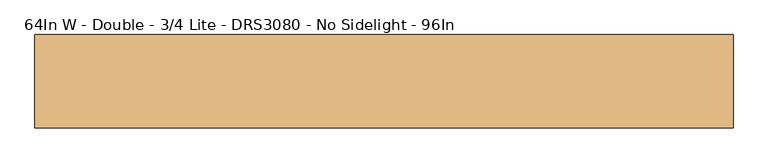
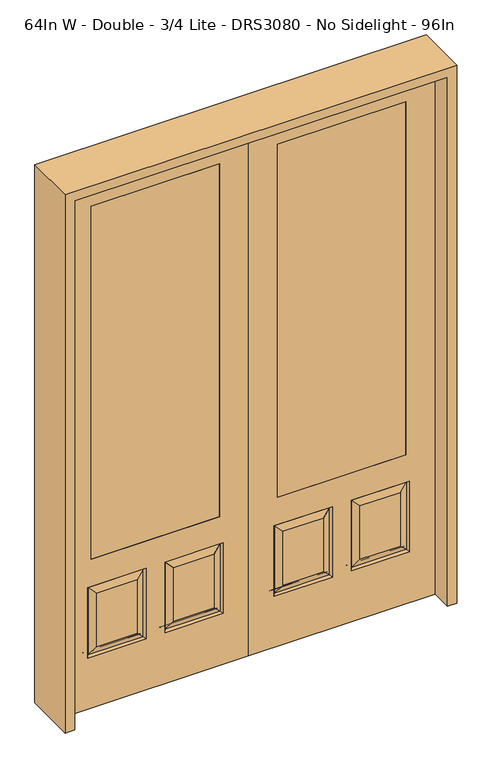
"""IFC4 building model written with IfcOpenShell, lengths in millimetres: door geometry, 64In W - Double - 3/4 Lite - DRS3080 - No Sidelight - 96In."""

from ifc_helpers import new_model, si_unit, frame, origin, place, context, project, spatial, polyline, outline, extrude, faceted_brep, source, transform, mapped, element, save


def door_64in_w_double_3_4_lite_drs3080_no_sidelight_96in_df7899c7(model_context):
    return source(origin(), model_context, "Body", "SolidModel", [
        faceted_brep([(127.0, -20.6375, 685.8), (127.0, 20.6375, 685.8), (127.0, 20.6375, 2311.4), (127.0, -20.6375, 2311.4), (685.8, -20.6375, 685.8), (685.8, 20.6375, 685.8), (486.5727627, -20.6375, 273.8477627), (662.7772373, -20.6375, 273.8477627), (662.7772373, -20.6375, 520.4102373), (486.5727627, -20.6375, 520.4102373), (150.0227627, -20.6375, 273.8477627), (326.2272373, -20.6375, 273.8477627), (326.2272373, -20.6375, 520.4102373), (150.0227627, -20.6375, 520.4102373), (812.8, -20.6375, 2438.4), (0.0, -20.6375, 2438.4), (0.0, -20.6375, 0.0), (812.8, -20.6375, 0.0), (685.8, -20.6375, 2311.4), (701.675, -20.6375, 234.95), (447.675, -20.6375, 234.95), (447.675, -20.6375, 559.308), (701.675, -20.6375, 559.308), (365.125, -20.6375, 234.95), (111.125, -20.6375, 234.95), (111.125, -20.6375, 559.308), (365.125, -20.6375, 559.308), (685.8, 20.6375, 2311.4), (326.2272373, 20.6375, 273.8477627), (150.0227627, 20.6375, 273.8477627), (150.0227627, 20.6375, 520.4102373), (326.2272373, 20.6375, 520.4102373), (662.7772373, 20.6375, 273.8477627), (486.5727627, 20.6375, 273.8477627), (486.5727627, 20.6375, 520.4102373), (662.7772373, 20.6375, 520.4102373), (0.0, 20.6375, 2438.4), (812.8, 20.6375, 2438.4), (812.8, 20.6375, 0.0), (0.0, 20.6375, 0.0), (111.125, 20.6375, 234.95), (365.125, 20.6375, 234.95), (365.125, 20.6375, 559.308), (111.125, 20.6375, 559.308), (447.675, 20.6375, 234.95), (701.675, 20.6375, 234.95), (701.675, 20.6375, 559.308), (447.675, 20.6375, 559.308), (694.2714647, -11.4399763, 242.3535353), (455.0785353, -11.4399763, 242.3535353), (455.0785353, -11.4399763, 551.9044647), (694.2714647, -11.4399763, 551.9044647), (357.7214647, -11.4399763, 242.3535353), (118.5285353, -11.4399763, 242.3535353), (118.5285353, -11.4399763, 551.9044647), (357.7214647, -11.4399763, 551.9044647), (118.5285353, 11.4399763, 242.3535353), (357.7214647, 11.4399763, 242.3535353), (357.7214647, 11.4399763, 551.9044647), (118.5285353, 11.4399763, 551.9044647), (455.0785353, 11.4399763, 242.3535353), (694.2714647, 11.4399763, 242.3535353), (694.2714647, 11.4399763, 551.9044647), (455.0785353, 11.4399763, 551.9044647)], [[[0, 1, 2, 3]], [[1, 0, 4, 5]], [[6, 7, 8, 9]], [[10, 11, 12, 13]], [[14, 15, 16, 17], [4, 0, 3, 18], [19, 20, 21, 22], [23, 24, 25, 26]], [[5, 4, 18, 27]], [[28, 29, 30, 31]], [[32, 33, 34, 35]], [[36, 37, 38, 39], [1, 5, 27, 2], [40, 41, 42, 43], [44, 45, 46, 47]], [[39, 38, 17, 16]], [[37, 14, 17, 38]], [[15, 36, 39, 16]], [[19, 48, 49, 20]], [[20, 49, 50, 21]], [[51, 22, 21, 50]], [[48, 19, 22, 51]], [[49, 48, 7, 6]], [[7, 48, 51, 8]], [[8, 51, 50, 9]], [[49, 6, 9, 50]], [[52, 53, 24, 23]], [[24, 53, 54, 25]], [[25, 54, 55, 26]], [[52, 23, 26, 55]], [[53, 52, 11, 10]], [[11, 52, 55, 12]], [[54, 13, 12, 55]], [[53, 10, 13, 54]], [[40, 56, 57, 41]], [[41, 57, 58, 42]], [[59, 43, 42, 58]], [[56, 40, 43, 59]], [[57, 56, 29, 28]], [[29, 56, 59, 30]], [[30, 59, 58, 31]], [[57, 28, 31, 58]], [[60, 61, 45, 44]], [[45, 61, 62, 46]], [[46, 62, 63, 47]], [[60, 44, 47, 63]], [[61, 60, 33, 32]], [[33, 60, 63, 34]], [[62, 35, 34, 63]], [[61, 32, 35, 62]], [[3, 2, 27, 18]], [[36, 15, 14, 37]]]),
        extrude(outline(polyline([(127.0, 20.6375), (685.8, 20.6375), (685.8, -20.6375), (127.0, -20.6375), (127.0, 20.6375)])), frame((0.0, 0.0, 685.8), z_axis=(0.0, 0.0, 1.0), x_axis=(1.0, 0.0, 0.0)), (0.0, 0.0, 1.0), 1625.6),
        faceted_brep([(-127.0, -20.6375, 685.8), (-127.0, -20.6375, 2311.4), (-127.0, 20.6375, 2311.4), (-127.0, 20.6375, 685.8), (-685.8, 20.6375, 685.8), (-685.8, -20.6375, 685.8), (-486.5727627, -20.6375, 273.8477627), (-486.5727627, -20.6375, 520.4102373), (-662.7772373, -20.6375, 520.4102373), (-662.7772373, -20.6375, 273.8477627), (-150.0227627, -20.6375, 273.8477627), (-150.0227627, -20.6375, 520.4102373), (-326.2272373, -20.6375, 520.4102373), (-326.2272373, -20.6375, 273.8477627), (-812.8, -20.6375, 2438.4), (-812.8, -20.6375, 0.0), (0.0, -20.6375, 0.0), (0.0, -20.6375, 2438.4), (-685.8, -20.6375, 2311.4), (-701.675, -20.6375, 234.95), (-701.675, -20.6375, 559.308), (-447.675, -20.6375, 559.308), (-447.675, -20.6375, 234.95), (-365.125, -20.6375, 234.95), (-365.125, -20.6375, 559.308), (-111.125, -20.6375, 559.308), (-111.125, -20.6375, 234.95), (-685.8, 20.6375, 2311.4), (-326.2272373, 20.6375, 273.8477627), (-326.2272373, 20.6375, 520.4102373), (-150.0227627, 20.6375, 520.4102373), (-150.0227627, 20.6375, 273.8477627), (-662.7772373, 20.6375, 273.8477627), (-662.7772373, 20.6375, 520.4102373), (-486.5727627, 20.6375, 520.4102373), (-486.5727627, 20.6375, 273.8477627), (0.0, 20.6375, 2438.4), (0.0, 20.6375, 0.0), (-812.8, 20.6375, 0.0), (-812.8, 20.6375, 2438.4), (-111.125, 20.6375, 234.95), (-111.125, 20.6375, 559.308), (-365.125, 20.6375, 559.308), (-365.125, 20.6375, 234.95), (-447.675, 20.6375, 234.95), (-447.675, 20.6375, 559.308), (-701.675, 20.6375, 559.308), (-701.675, 20.6375, 234.95), (-455.0785353, -11.4399763, 242.3535353), (-694.2714647, -11.4399763, 242.3535353), (-455.0785353, -11.4399763, 551.9044647), (-694.2714647, -11.4399763, 551.9044647), (-357.7214647, -11.4399763, 242.3535353), (-118.5285353, -11.4399763, 242.3535353), (-118.5285353, -11.4399763, 551.9044647), (-357.7214647, -11.4399763, 551.9044647), (-357.7214647, 11.4399763, 242.3535353), (-118.5285353, 11.4399763, 242.3535353), (-357.7214647, 11.4399763, 551.9044647), (-118.5285353, 11.4399763, 551.9044647), (-455.0785353, 11.4399763, 242.3535353), (-694.2714647, 11.4399763, 242.3535353), (-694.2714647, 11.4399763, 551.9044647), (-455.0785353, 11.4399763, 551.9044647)], [[[0, 1, 2, 3]], [[3, 4, 5, 0]], [[6, 7, 8, 9]], [[10, 11, 12, 13]], [[14, 15, 16, 17], [5, 18, 1, 0], [19, 20, 21, 22], [23, 24, 25, 26]], [[4, 27, 18, 5]], [[28, 29, 30, 31]], [[32, 33, 34, 35]], [[36, 37, 38, 39], [3, 2, 27, 4], [40, 41, 42, 43], [44, 45, 46, 47]], [[37, 16, 15, 38]], [[39, 38, 15, 14]], [[17, 16, 37, 36]], [[19, 22, 48, 49]], [[22, 21, 50, 48]], [[51, 50, 21, 20]], [[49, 51, 20, 19]], [[48, 6, 9, 49]], [[9, 8, 51, 49]], [[8, 7, 50, 51]], [[48, 50, 7, 6]], [[52, 23, 26, 53]], [[26, 25, 54, 53]], [[25, 24, 55, 54]], [[52, 55, 24, 23]], [[53, 10, 13, 52]], [[13, 12, 55, 52]], [[54, 55, 12, 11]], [[53, 54, 11, 10]], [[40, 43, 56, 57]], [[43, 42, 58, 56]], [[59, 58, 42, 41]], [[57, 59, 41, 40]], [[56, 28, 31, 57]], [[31, 30, 59, 57]], [[30, 29, 58, 59]], [[56, 58, 29, 28]], [[60, 44, 47, 61]], [[47, 46, 62, 61]], [[46, 45, 63, 62]], [[60, 63, 45, 44]], [[61, 32, 35, 60]], [[35, 34, 63, 60]], [[62, 63, 34, 33]], [[61, 62, 33, 32]], [[1, 18, 27, 2]], [[36, 39, 14, 17]]]),
        extrude(outline(polyline([(-127.0, 20.6375), (-127.0, -20.6375), (-685.8, -20.6375), (-685.8, 20.6375), (-127.0, 20.6375)])), frame((0.0, 0.0, 685.8), z_axis=(0.0, 0.0, 1.0), x_axis=(1.0, 0.0, 0.0)), (0.0, 0.0, 1.0), 1625.6),
        extrude(outline(polyline([(2479.675, -854.075), (0.0, -854.075), (0.0, -812.8), (2438.4, -812.8), (2438.4, 812.8), (0.0, 812.8), (0.0, 854.075), (2479.675, 854.075), (2479.675, -854.075)])), frame((0.0, -114.3, 0.0), z_axis=(0.0, 1.0, 0.0), x_axis=(0.0, 0.0, 1.0)), (0.0, 0.0, 1.0), 228.6),
    ])


if __name__ == "__main__":
    model = new_model("IFC4")
    model_context = context("Model", 3, world=origin())
    ifc_project = project(units=[si_unit("LENGTHUNIT", "METRE", prefix="MILLI")], contexts=[model_context])
    site = spatial("IfcSite", under=ifc_project)
    building = spatial("IfcBuilding", under=site)
    placement = place(None, origin())
    door_64in_w_double_3_4_lite_drs3080_no_sidelight_96in_shape = door_64in_w_double_3_4_lite_drs3080_no_sidelight_96in_df7899c7(model_context)
    element("IfcDoor", 1, ObjectType="64In W - Double - 3/4 Lite - DRS3080 - No Sidelight - 96In", at=placement, inside=building, context=model_context, shape_type="MappedRepresentation", body=[
        mapped(door_64in_w_double_3_4_lite_drs3080_no_sidelight_96in_shape, transform((0.0, 0.0, 0.0), x_axis=(1.0, 0.0, 0.0), y_axis=(0.0, 1.0, 0.0), z_axis=(0.0, 0.0, 1.0))),
    ])
    save(model, "model.ifc")
